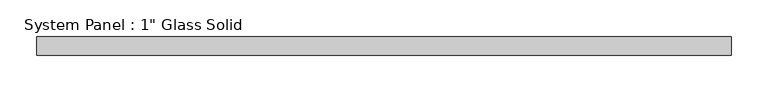
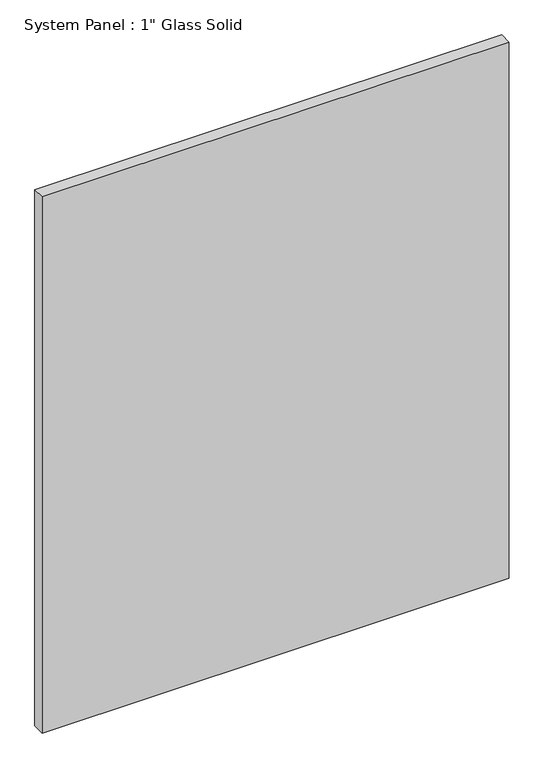
"""IFC4 building model written with IfcOpenShell, lengths in millimetres: plate geometry."""

from ifc_helpers import new_model, si_unit, origin, origin_with_axes, place, context, project, spatial, polyline, outline, extrude, source, transform, mapped, element, save


def plate_bfe9781e(model_context):
    return source(origin(), model_context, "Body", "SweptSolid", [
        extrude(outline(polyline([(475.2422013, -12.7), (-475.2422013, -12.7), (-475.2422013, 12.7), (475.2422013, 12.7), (475.2422013, -12.7)])), origin_with_axes(), (0.0, 0.0, 1.0), 1153.6861731),
    ])


if __name__ == "__main__":
    model = new_model("IFC4")
    model_context = context("Model", 3, world=origin())
    ifc_project = project(units=[si_unit("LENGTHUNIT", "METRE", prefix="MILLI")], contexts=[model_context])
    site = spatial("IfcSite", under=ifc_project)
    building = spatial("IfcBuilding", under=site)
    placement = place(None, origin())
    plate_shape = plate_bfe9781e(model_context)
    element("IfcPlate", 1, ObjectType="System Panel : 1\" Glass Solid", at=placement, inside=building, context=model_context, shape_type="MappedRepresentation", body=[
        mapped(plate_shape, transform((0.0, 0.0, 0.0), x_axis=(1.0, 0.0, 0.0), y_axis=(0.0, 1.0, 0.0), z_axis=(0.0, 0.0, 1.0))),
    ])
    save(model, "model.ifc")
